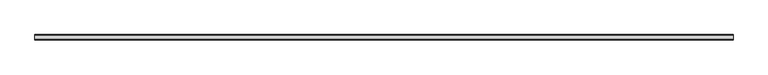
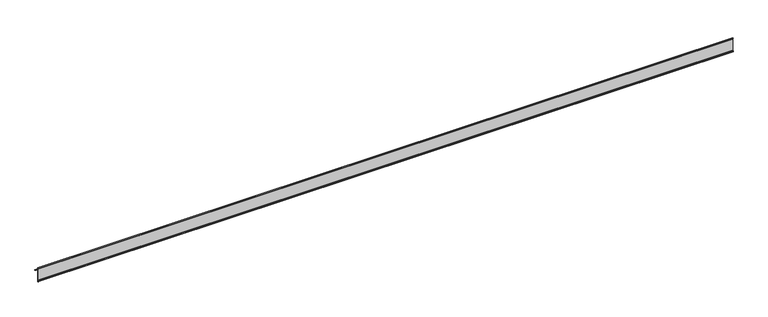
"""IFC4 building model written with IfcOpenShell, lengths in millimetres: proxy geometry."""

from ifc_helpers import new_model, si_unit, point, frame, frame_2d, origin, place, context, project, spatial, polyline, circle_curve, trimmed, segment, composite_curve, outline, extrude, source, transform, mapped, element, save


def generic_models_8a52c1af(model_context):
    return source(origin(), model_context, "Body", "SweptSolid", [
        extrude(outline(composite_curve([segment(trimmed(circle_curve(frame_2d((1140.0822593, 306.479592)), 0.8), [point((1140.2798968, 307.2547949))], [point((1139.4636103, 305.9723707))], False, "CARTESIAN"), True, "CONTINUOUS"), segment(trimmed(circle_curve(frame_2d((1158.5465625, 342.063431)), 40.8255275), [point((1139.4636103, 305.9723707))], [point((1125.1461406, 318.5871555))], False, "CARTESIAN"), True, "CONTINUOUS"), segment(polyline([(1125.1461406, 318.5871555), (1125.1461406, 274.6864927)]), True, "CONTINUOUS"), segment(trimmed(circle_curve(frame_2d((1123.8961406, 274.6864927)), 1.25), [point((1125.1461406, 274.6864927))], [point((1122.6461406, 274.6864927))], False, "CARTESIAN"), True, "CONTINUOUS"), segment(polyline([(1122.6461406, 274.6864927), (1122.6461406, 276.6364927), (1123.6461406, 278.5577822), (1123.6461406, 318.3272025), (1123.9616087, 320.4028832)]), True, "CONTINUOUS"), segment(trimmed(circle_curve(frame_2d((1143.4547277, 336.9379084)), 25.56147), [point((1123.9616087, 320.4028832))], [point((1122.6461406, 322.0923215))], False, "CARTESIAN"), True, "CONTINUOUS"), segment(polyline([(1122.6461406, 322.0923215), (1123.9961421, 323.5916501)]), True, "CONTINUOUS"), segment(trimmed(circle_curve(frame_2d((1155.9148565, 339.1227764)), 35.4967634), [point((1123.9961421, 323.5916501))], [point((1140.2798968, 307.2547949))], True, "CARTESIAN"), True, "CONTINUOUS")], self_intersect=False)), frame((-5295.3690716, 0.0, 0.0), z_axis=(1.0, 0.0, 0.0), x_axis=(0.0, 1.0, 0.0)), (0.0, 0.0, 1.0), 2400.0),
    ])


if __name__ == "__main__":
    model = new_model("IFC4")
    model_context = context("Model", 3, world=origin())
    ifc_project = project(units=[si_unit("LENGTHUNIT", "METRE", prefix="MILLI")], contexts=[model_context])
    site = spatial("IfcSite", under=ifc_project)
    building = spatial("IfcBuilding", under=site)
    placement = place(None, origin())
    generic_models_shape = generic_models_8a52c1af(model_context)
    element("IfcBuildingElementProxy", 1, Name="Generic Models", at=placement, inside=building, context=model_context, shape_type="MappedRepresentation", body=[
        mapped(generic_models_shape, transform((0.0, 0.0, 0.0), x_axis=(1.0, 0.0, 0.0), y_axis=(0.0, 1.0, 0.0), z_axis=(0.0, 0.0, 1.0))),
    ])
    save(model, "model.ifc")
